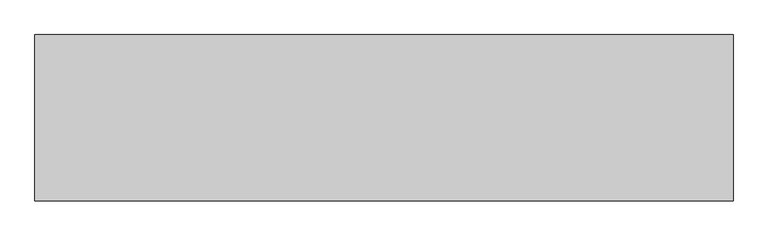
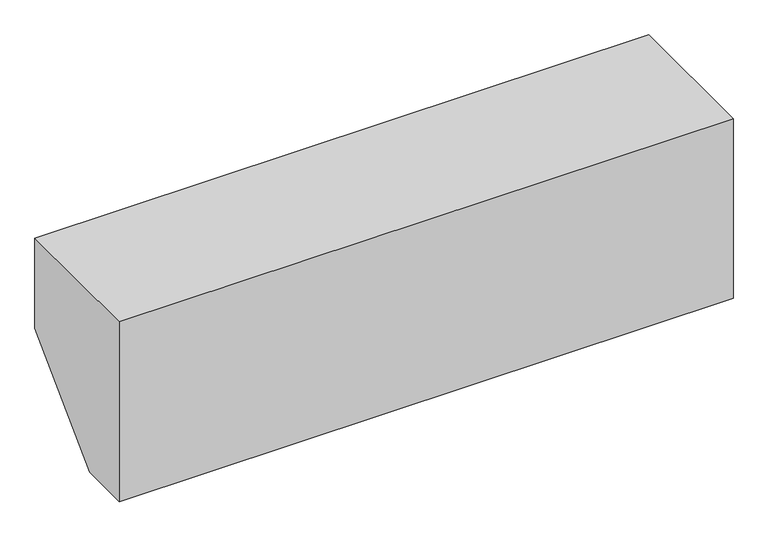
"""IFC4 building model written with IfcOpenShell, lengths in millimetres: proxy geometry."""

from ifc_helpers import new_model, si_unit, frame, origin, place, context, project, spatial, polyline, outline, extrude, source, transform, mapped, element, save


def mechanical_equipment_223fdd0e(model_context):
    return source(origin(), model_context, "Body", "SweptSolid", [
        extrude(outline(polyline([(0.0, 330.2), (254.0, 330.2), (254.0, 165.1), (88.9, 0.0), (0.0, 0.0), (0.0, 330.2)])), frame((-533.4, 0.0, 0.0), z_axis=(1.0, 0.0, 0.0), x_axis=(0.0, 1.0, 0.0)), (0.0, 0.0, 1.0), 1066.8),
    ])


if __name__ == "__main__":
    model = new_model("IFC4")
    model_context = context("Model", 3, world=origin())
    ifc_project = project(units=[si_unit("LENGTHUNIT", "METRE", prefix="MILLI")], contexts=[model_context])
    site = spatial("IfcSite", under=ifc_project)
    building = spatial("IfcBuilding", under=site)
    placement = place(None, origin())
    mechanical_equipment_shape = mechanical_equipment_223fdd0e(model_context)
    element("IfcBuildingElementProxy", 1, Name="Mechanical Equipment", at=placement, inside=building, context=model_context, shape_type="MappedRepresentation", body=[
        mapped(mechanical_equipment_shape, transform((0.0, 0.0, 0.0), x_axis=(1.0, 0.0, 0.0), y_axis=(0.0, 1.0, 0.0), z_axis=(0.0, 0.0, 1.0))),
    ])
    save(model, "model.ifc")
